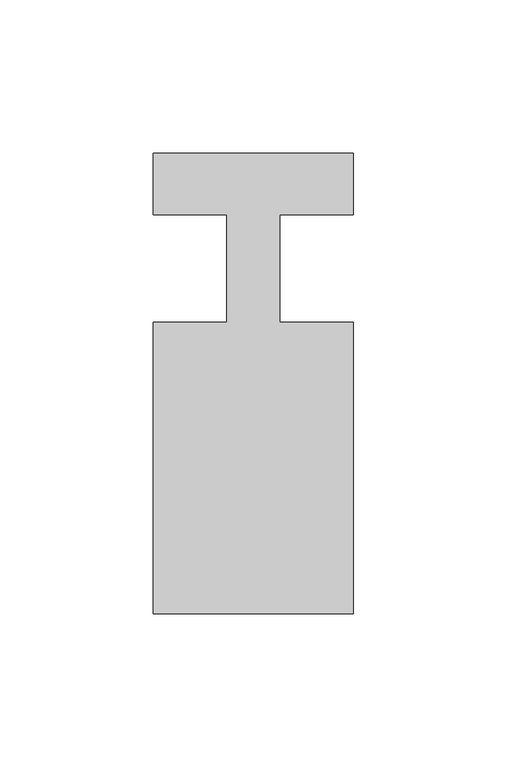
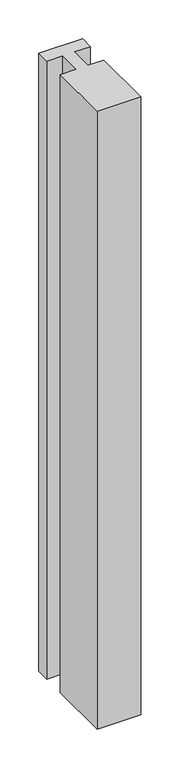
"""IFC4 building model written with IfcOpenShell, lengths in millimetres: member geometry."""

from ifc_helpers import new_model, si_unit, frame, origin, place, context, project, spatial, polyline, outline, extrude, source, transform, mapped, element, save


def member_b68eab57(model_context):
    return source(origin(), model_context, "Body", "SweptSolid", [
        extrude(outline(polyline([(0.0, 37.0), (0.0, 17.0), (-23.8125, 17.0), (-23.8125, -18.0), (0.0, -18.0), (0.0, -113.0), (-65.0, -113.0), (-65.0, -18.0), (-41.1875, -18.0), (-41.1875, 17.0), (-65.0, 17.0), (-65.0, 37.0), (0.0, 37.0)])), frame((0.0, 0.0, -971.5982143), z_axis=(0.0, 0.0, 1.0), x_axis=(1.0, 0.0, 0.0)), (0.0, 0.0, 1.0), 971.5982143),
    ])


if __name__ == "__main__":
    model = new_model("IFC4")
    model_context = context("Model", 3, world=origin())
    ifc_project = project(units=[si_unit("LENGTHUNIT", "METRE", prefix="MILLI")], contexts=[model_context])
    site = spatial("IfcSite", under=ifc_project)
    building = spatial("IfcBuilding", under=site)
    placement = place(None, origin())
    member_shape = member_b68eab57(model_context)
    element("IfcMember", 1, at=placement, inside=building, context=model_context, shape_type="MappedRepresentation", body=[
        mapped(member_shape, transform((0.0, 0.0, 0.0), x_axis=(1.0, 0.0, 0.0), y_axis=(0.0, 1.0, 0.0), z_axis=(0.0, 0.0, 1.0))),
    ])
    save(model, "model.ifc")
